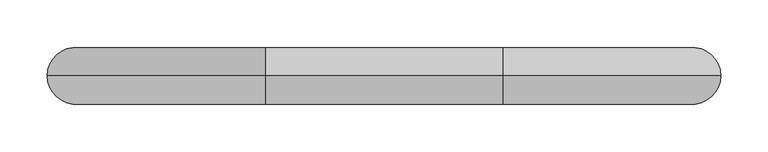
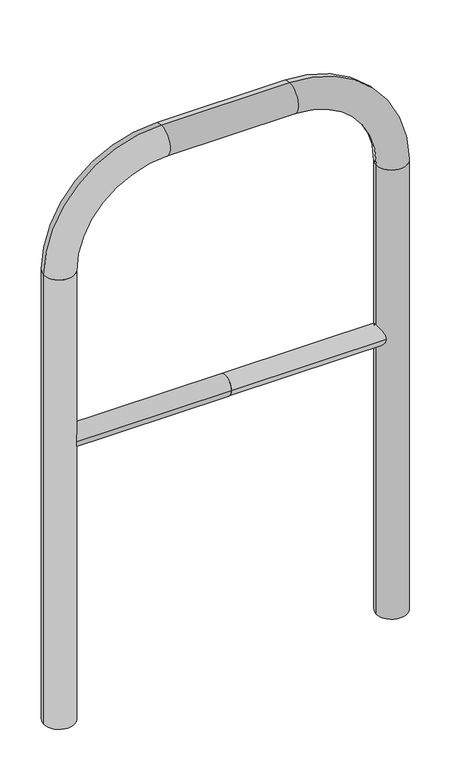
"""IFC4 building model written with IfcOpenShell, lengths in millimetres: proxy geometry."""

import ifcopenshell
import ifcopenshell.guid

model = None  # the IFC model being written
_history = None  # IfcOwnerHistory: only IFC2X3 demands one
_inside = {}  # id of a spatial element -> (the spatial element, [elements in it])
_under = {}  # id of a project, library or spatial element -> (it, [spatial elements below it])
_declared = {}  # id of a project -> (the project, [libraries it declares])
_typed = {}  # id of a type object -> (the type object, [elements of that type])
_made_of = {}  # id of a material, layer set ... -> (it, [elements and type objects made of it])


def new_model(schema):
    """Start an empty IFC model of exactly this schema.

    Asked for "IFC4X3", IfcOpenShell would pick the latest addendum, in which some entities
    have other attributes; the version numbers below select the first issue.
    IFC2X3 requires an IfcOwnerHistory on every rooted entity: one is made here for all.
    """
    global model, _history
    if schema == "IFC4X3":
        model = ifcopenshell.file(schema_version=(4, 3, 0, 0))
    else:
        model = ifcopenshell.file(schema=schema)
    _inside.clear()
    _under.clear()
    _declared.clear()
    _typed.clear()
    _made_of.clear()
    _history = None
    if model.schema == "IFC2X3":
        org = make("IfcOrganization", Name="unknown")
        user = make(
            "IfcPersonAndOrganization",
            ThePerson=make("IfcPerson", FamilyName="unknown"),
            TheOrganization=org,
        )
        app = make(
            "IfcApplication",
            ApplicationDeveloper=org,
            Version="unknown",
            ApplicationFullName="unknown",
            ApplicationIdentifier="unknown",
        )
        _history = make(
            "IfcOwnerHistory",
            OwningUser=user,
            OwningApplication=app,
            ChangeAction="ADDED",
            CreationDate=0,
        )
    return model


def make(cls, **values):
    """One entity of the class cls with the attributes given. An attribute that is None is left unset."""
    return model.create_entity(
        cls, **{name: value for name, value in values.items() if value is not None}
    )


def rooted(cls, **values):
    """An entity with a GlobalId (a new one), such as an element, a storey or a relation."""
    return make(cls, GlobalId=ifcopenshell.guid.new(), OwnerHistory=_history, **values)


def si_unit(unit_type, name, prefix=None):
    """IfcSIUnit, for example si_unit("LENGTHUNIT", "METRE", prefix="MILLI")."""
    return make("IfcSIUnit", UnitType=unit_type, Prefix=prefix, Name=name)


def assignment(units):
    """IfcUnitAssignment: the units of a project."""
    return None if units is None else make("IfcUnitAssignment", Units=units)


def point(xyz):
    """IfcCartesianPoint."""
    return None if xyz is None else make("IfcCartesianPoint", Coordinates=xyz)


def direction(xyz):
    """IfcDirection."""
    return None if xyz is None else make("IfcDirection", DirectionRatios=xyz)


def frame(location, z_axis=None, x_axis=None):
    """IfcAxis2Placement3D, a coordinate frame: its origin and axes. An axis left out is left unset."""
    return make(
        "IfcAxis2Placement3D",
        Location=point(location),
        Axis=direction(z_axis),
        RefDirection=direction(x_axis),
    )


def frame_2d(location, x_axis=None):
    """IfcAxis2Placement2D, a coordinate frame in the plane: its origin and x axis."""
    return make(
        "IfcAxis2Placement2D", Location=point(location), RefDirection=direction(x_axis)
    )


def origin():
    """The frame at (0, 0, 0) with its axes left unset."""
    return frame((0.0, 0.0, 0.0))


def place(relative_to, where):
    """IfcLocalPlacement: puts the frame where relative to a parent placement (None: the world)."""
    return make(
        "IfcLocalPlacement", PlacementRelTo=relative_to, RelativePlacement=where
    )


def context(
    kind, dimensions, precision=None, world=None, true_north=None, identifier=None
):
    """IfcGeometricRepresentationContext, for example the 3D "Model" context."""
    return make(
        "IfcGeometricRepresentationContext",
        ContextIdentifier=identifier,
        ContextType=kind,
        CoordinateSpaceDimension=dimensions,
        Precision=precision,
        WorldCoordinateSystem=world,
        TrueNorth=true_north,
    )


def project(units=None, contexts=None):
    """IfcProject with its units and contexts."""
    return rooted(
        "IfcProject",
        Name="project",
        RepresentationContexts=contexts,
        UnitsInContext=assignment(units),
    )


def spatial(cls, under=None, at=None, **own):
    """A site, building, storey or space (cls), placed at a placement, below another one or the project."""
    s = rooted(cls, ObjectPlacement=at, **own)
    if under is not None:
        _under.setdefault(under.id(), (under, []))[1].append(s)
    return s


def circle_curve(where, radius):
    """IfcCircle in the frame where."""
    return make("IfcCircle", Position=where, Radius=radius)


def ellipse_curve(where, semi_axis1, semi_axis2):
    """IfcEllipse in the frame where."""
    return make(
        "IfcEllipse", Position=where, SemiAxis1=semi_axis1, SemiAxis2=semi_axis2
    )


def trimmed(basis, trim1, trim2, sense, master):
    """IfcTrimmedCurve: the piece of a basis curve between two trims."""
    return make(
        "IfcTrimmedCurve",
        BasisCurve=basis,
        Trim1=trim1,
        Trim2=trim2,
        SenseAgreement=sense,
        MasterRepresentation=master,
    )


def segment(curve, same_sense, transition):
    """IfcCompositeCurveSegment."""
    return make(
        "IfcCompositeCurveSegment",
        Transition=transition,
        SameSense=same_sense,
        ParentCurve=curve,
    )


def composite_curve(segments, self_intersect=None):
    """IfcCompositeCurve: segments joined end to end."""
    return make("IfcCompositeCurve", Segments=segments, SelfIntersect=self_intersect)


def outline(outer, holes=None, kind="AREA"):
    """IfcArbitraryClosedProfileDef: a profile drawn as a closed curve; with holes, ...WithVoids."""
    if holes is None:
        return make("IfcArbitraryClosedProfileDef", ProfileType=kind, OuterCurve=outer)
    return make(
        "IfcArbitraryProfileDefWithVoids",
        ProfileType=kind,
        OuterCurve=outer,
        InnerCurves=holes,
    )


def extrude(swept, where, along, depth):
    """IfcExtrudedAreaSolid: the profile swept, set in the frame where, extruded along a direction by depth."""
    return make(
        "IfcExtrudedAreaSolid",
        SweptArea=swept,
        Position=where,
        ExtrudedDirection=direction(along),
        Depth=depth,
    )


def shape(context_of_items, identifier, shape_type, items):
    """IfcShapeRepresentation: the items that make up one representation, for example the "Body"."""
    return make(
        "IfcShapeRepresentation",
        ContextOfItems=context_of_items,
        RepresentationIdentifier=identifier,
        RepresentationType=shape_type,
        Items=items,
    )


def source(mapping_origin, context_of_items, identifier, shape_type, items):
    """IfcRepresentationMap: a shape defined once, which mapped items show again and again."""
    return make(
        "IfcRepresentationMap",
        MappingOrigin=mapping_origin,
        MappedRepresentation=shape(context_of_items, identifier, shape_type, items),
    )


def transform(
    local_origin,
    x_axis=None,
    y_axis=None,
    z_axis=None,
    scale=None,
    scale2=None,
    scale3=None,
    uniform=True,
):
    """IfcCartesianTransformationOperator3D, or its non-uniform kind. x_axis, y_axis, z_axis: its Axis1, 2, 3."""
    if uniform:
        return make(
            "IfcCartesianTransformationOperator3D",
            Axis1=direction(x_axis),
            Axis2=direction(y_axis),
            LocalOrigin=point(local_origin),
            Scale=scale,
            Axis3=direction(z_axis),
        )
    return make(
        "IfcCartesianTransformationOperator3DnonUniform",
        Axis1=direction(x_axis),
        Axis2=direction(y_axis),
        LocalOrigin=point(local_origin),
        Scale=scale,
        Axis3=direction(z_axis),
        Scale2=scale2,
        Scale3=scale3,
    )


def mapped(mapping_source, mapping_target):
    """IfcMappedItem: shows the shape of a source again, moved by a transform."""
    return make(
        "IfcMappedItem", MappingSource=mapping_source, MappingTarget=mapping_target
    )


def made_of(thing, what):
    """Note that an element or type object is made of a material, layer set ...; save() writes the relation."""
    if what is not None:
        _made_of.setdefault(what.id(), (what, []))[1].append(thing)
    return thing


def element(
    cls,
    number,
    at=None,
    inside=None,
    cuts=None,
    type_object=None,
    material=None,
    context=None,
    identifier="Body",
    shape_type=None,
    held_by="IfcProductDefinitionShape",
    body=None,
    shapes=None,
    **own,
):
    """One element of the class cls, such as IfcWall. Its Tag is "e" and its number.

    at: its placement. inside: the storey or other place that contains it. cuts: it is an
    opening in that element (IfcRelVoidsElement). A single representation is given by context,
    identifier, shape_type and body (its items); several are given by shapes. held_by: the class
    of the entity that holds the representations. save() writes the other relations.
    """
    e = rooted(cls, Tag="e%d" % number, ObjectPlacement=at, **own)
    if body is not None:
        shapes = [shape(context, identifier, shape_type, body)]
    if shapes is not None:
        e.Representation = make(held_by, Representations=shapes)
    if inside is not None:
        _inside.setdefault(inside.id(), (inside, []))[1].append(e)
    if cuts is not None:
        rooted(
            "IfcRelVoidsElement", RelatingBuildingElement=cuts, RelatedOpeningElement=e
        )
    if type_object is not None:
        _typed.setdefault(type_object.id(), (type_object, []))[1].append(e)
    return made_of(e, material)


def aggregate(whole, parts):
    """IfcRelAggregates: a whole, such as a stair, and the parts it consists of."""
    return rooted("IfcRelAggregates", RelatingObject=whole, RelatedObjects=parts)


def save(model, path):
    """Write the relations noted so far, then the file.

    IfcRelAggregates (storeys below a building ...), IfcRelContainedInSpatialStructure (elements
    in a storey), IfcRelDefinesByType, IfcRelAssociatesMaterial and IfcRelDeclares: one each for
    every whole, place, type object, material and project.
    """
    for whole, parts in _under.values():
        aggregate(whole, parts)
    for where, things in _inside.values():
        rooted(
            "IfcRelContainedInSpatialStructure",
            RelatedElements=things,
            RelatingStructure=where,
        )
    for kind, things in _typed.values():
        rooted("IfcRelDefinesByType", RelatedObjects=things, RelatingType=kind)
    for what, things in _made_of.values():
        rooted("IfcRelAssociatesMaterial", RelatedObjects=things, RelatingMaterial=what)
    for by, libraries in _declared.values():
        rooted("IfcRelDeclares", RelatingContext=by, RelatedDefinitions=libraries)
    model.write(path)


def plane_surface(at):
    """IfcPlane: the flat surface through the origin of the frame at, square to its z axis."""
    return make("IfcPlane", Position=at)


def cylinder_surface(at, radius):
    """IfcCylindricalSurface: all points at the distance radius from the z axis of the frame at."""
    return make("IfcCylindricalSurface", Position=at, Radius=radius)


def revolved_surface(curve, axis_point, axis_direction):
    """IfcSurfaceOfRevolution: the curve turned about the line through axis_point along axis_direction."""
    return make(
        "IfcSurfaceOfRevolution",
        SweptCurve=make("IfcArbitraryOpenProfileDef", ProfileType="CURVE", Curve=curve),
        AxisPosition=make("IfcAxis1Placement", Location=point(axis_point), Axis=direction(axis_direction)),
    )


def advanced_brep(points, edges, surfaces, faces):
    """IfcAdvancedBrep: a solid bounded by faces that lie on surfaces and meet in shared edges.

    An edge is (start, end): straight between two places in points (the first is 0);
    or (start, end, curve); or (start, end, curve, False) where it runs against its curve.
    A face is (place in surfaces, loops), or (place, loops, False) where it looks against
    its surface's normal. A loop lists edges by number (the first is 1), with a minus sign
    where the edge is run from its end to its start. The first loop is the outer one.
    """
    corners = [point(p) for p in points]
    vertices = [make("IfcVertexPoint", VertexGeometry=c) for c in corners]
    made = []
    for start, end, *more in edges:
        made.append(
            make(
                "IfcEdgeCurve",
                EdgeStart=vertices[start],
                EdgeEnd=vertices[end],
                EdgeGeometry=more[0] if more else make("IfcPolyline", Points=[corners[start], corners[end]]),
                SameSense=more[1] if len(more) > 1 else True,
            )
        )
    hull = []
    for where, loops, *sense in faces:
        bounds = []
        for j, loop in enumerate(loops):
            ring = [make("IfcOrientedEdge", EdgeElement=made[abs(k) - 1], Orientation=k > 0) for k in loop]
            bounds.append(
                make(
                    "IfcFaceOuterBound" if j == 0 else "IfcFaceBound",
                    Bound=make("IfcEdgeLoop", EdgeList=ring),
                    Orientation=True,
                )
            )
        hull.append(make("IfcAdvancedFace", Bounds=bounds, FaceSurface=surfaces[where], SameSense=sense[0] if sense else True))
    return make("IfcAdvancedBrep", Outer=make("IfcClosedShell", CfsFaces=hull))


def generic_models_3d9fecbe(model_context):
    return source(origin(), model_context, "Body", "SolidModel", [
        extrude(outline(composite_curve([segment(trimmed(circle_curve(frame_2d((0.0, 498.4778375)), 20.0), [point((-20.0, 498.4778375))], [point((20.0, 498.4778375))], False, "CARTESIAN"), True, "CONTINUOUS"), segment(trimmed(circle_curve(frame_2d((0.0, 498.4778375)), 20.0), [point((20.0, 498.4778375))], [point((-20.0, 498.4778375))], False, "CARTESIAN"), True, "CONTINUOUS")], self_intersect=False)), frame((-325.512174, 0.0, 0.0), z_axis=(1.0, 0.0, 0.0), x_axis=(0.0, 1.0, 0.0)), (0.0, 0.0, 1.0), 325.512174),
        extrude(outline(composite_curve([segment(trimmed(circle_curve(frame_2d((0.0, 498.4778375)), 20.0), [point((-20.0, 498.4778375))], [point((20.0, 498.4778375))], False, "CARTESIAN"), True, "CONTINUOUS"), segment(trimmed(circle_curve(frame_2d((0.0, 498.4778375)), 20.0), [point((20.0, 498.4778375))], [point((-20.0, 498.4778375))], False, "CARTESIAN"), True, "CONTINUOUS")], self_intersect=False)), frame((0.0, 0.0, 0.0), z_axis=(1.0, 0.0, 0.0), x_axis=(0.0, 1.0, 0.0)), (0.0, 0.0, 1.0), 325.512174),
        advanced_brep(
        [(-295.512174, 0.0, -80.0), (-355.512174, 0.0, -80.0), (-295.512174, 0.0, 850.0), (-355.512174, 0.0, 850.0), (-125.512174, 0.0, 1080.0), (-125.512174, 0.0, 1020.0), (125.512174, 0.0, 1020.0), (125.512174, 0.0, 1080.0), (355.512174, 0.0, 850.0), (295.512174, 0.0, 850.0), (295.512174, 0.0, -80.0), (355.512174, 0.0, -80.0)],
        [
            (0, 1, circle_curve(frame((-325.512174, 0.0, -80.0), z_axis=(0.0, 0.0, -1.0), x_axis=(-1.0, 0.0, 0.0)), 30.0)),
            (1, 0, circle_curve(frame((-325.512174, 0.0, -80.0), z_axis=(0.0, 0.0, -1.0), x_axis=(-1.0, 0.0, 0.0)), 30.0)),
            (0, 2),
            (2, 3, circle_curve(frame((-325.512174, 0.0, 850.0), z_axis=(0.0, 0.0, -1.0), x_axis=(-1.0, 0.0, 0.0)), 30.0)),
            (3, 1),
            (3, 2, circle_curve(frame((-325.512174, 0.0, 850.0), z_axis=(0.0, 0.0, -1.0), x_axis=(-1.0, 0.0, 0.0)), 30.0)),
            (4, 3, circle_curve(frame((-125.512174, 0.0, 850.0), z_axis=(0.0, -1.0, 0.0), x_axis=(-1.0, 0.0, 0.0)), 230.0)),
            (2, 5, circle_curve(frame((-125.512174, 0.0, 850.0), z_axis=(0.0, 1.0, 0.0), x_axis=(-1.0, 0.0, 0.0)), 170.0)),
            (5, 4, circle_curve(frame((-125.512174, 0.0, 1050.0), z_axis=(-1.0, 0.0, 0.0), x_axis=(0.0, 0.0, 1.0)), 30.0)),
            (4, 5, circle_curve(frame((-125.512174, 0.0, 1050.0), z_axis=(-1.0, 0.0, 0.0), x_axis=(0.0, 0.0, 1.0)), 30.0)),
            (5, 6),
            (6, 7, circle_curve(frame((125.512174, 0.0, 1050.0), z_axis=(-1.0, 0.0, 0.0), x_axis=(0.0, 0.0, 1.0)), 30.0)),
            (7, 4),
            (7, 6, circle_curve(frame((125.512174, 0.0, 1050.0), z_axis=(-1.0, 0.0, 0.0), x_axis=(0.0, 0.0, 1.0)), 30.0)),
            (8, 7, circle_curve(frame((125.512174, 0.0, 850.0), z_axis=(0.0, -1.0, 0.0), x_axis=(0.0, 0.0, 1.0)), 230.0)),
            (6, 9, circle_curve(frame((125.512174, 0.0, 850.0), z_axis=(0.0, 1.0, 0.0), x_axis=(0.0, 0.0, 1.0)), 170.0)),
            (9, 8, circle_curve(frame((325.512174, 0.0, 850.0), z_axis=(0.0, 0.0, 1.0), x_axis=(1.0, 0.0, 0.0)), 30.0)),
            (8, 9, circle_curve(frame((325.512174, 0.0, 850.0), z_axis=(0.0, 0.0, 1.0), x_axis=(1.0, 0.0, 0.0)), 30.0)),
            (10, 11, circle_curve(frame((325.512174, 0.0, -80.0), z_axis=(0.0, 0.0, -1.0), x_axis=(1.0, 0.0, 0.0)), 30.0)),
            (11, 10, circle_curve(frame((325.512174, 0.0, -80.0), z_axis=(0.0, 0.0, -1.0), x_axis=(1.0, 0.0, 0.0)), 30.0)),
            (9, 10),
            (11, 8),
        ],
        [
            plane_surface(frame((-325.512174, 0.0, -80.0), z_axis=(0.0, 0.0, -1.0), x_axis=(0.0, -1.0, 0.0))),
            cylinder_surface(frame((-325.512174, 0.0, -80.0), z_axis=(0.0, 0.0, -1.0), x_axis=(-1.0, 0.0, 0.0)), 30.0),
            revolved_surface(trimmed(ellipse_curve(frame((-325.512174, 0.0, 850.0), z_axis=(0.0, 0.0, -1.0), x_axis=(-1.0, 0.0, 0.0)), 30.0, 30.0), [point((-295.512174, 0.0, 850.0))], [point((-355.512174, 0.0, 850.0))], True, "CARTESIAN"), (-125.512174, 0.0, 850.0), (0.0, 1.0, 0.0)),
            revolved_surface(trimmed(ellipse_curve(frame((-325.512174, 0.0, 850.0), z_axis=(0.0, 0.0, -1.0), x_axis=(-1.0, 0.0, 0.0)), 30.0, 30.0), [point((-355.512174, 0.0, 850.0))], [point((-295.512174, 0.0, 850.0))], True, "CARTESIAN"), (-125.512174, 0.0, 850.0), (0.0, 1.0, 0.0)),
            cylinder_surface(frame((-125.512174, 0.0, 1050.0), z_axis=(-1.0, 0.0, 0.0), x_axis=(0.0, 0.0, 1.0)), 30.0),
            revolved_surface(trimmed(ellipse_curve(frame((125.512174, 0.0, 1050.0), z_axis=(-1.0, 0.0, 0.0), x_axis=(0.0, 0.0, 1.0)), 30.0, 30.0), [point((125.512174, 0.0, 1020.0))], [point((125.512174, 0.0, 1080.0))], True, "CARTESIAN"), (125.512174, 0.0, 850.0), (0.0, 1.0, 0.0)),
            revolved_surface(trimmed(ellipse_curve(frame((125.512174, 0.0, 1050.0), z_axis=(-1.0, 0.0, 0.0), x_axis=(0.0, 0.0, 1.0)), 30.0, 30.0), [point((125.512174, 0.0, 1080.0))], [point((125.512174, 0.0, 1020.0))], True, "CARTESIAN"), (125.512174, 0.0, 850.0), (0.0, 1.0, 0.0)),
            plane_surface(frame((325.512174, 0.0, -80.0), z_axis=(0.0, 0.0, -1.0), x_axis=(0.0, -1.0, 0.0))),
            cylinder_surface(frame((325.512174, 0.0, 850.0), z_axis=(0.0, 0.0, 1.0), x_axis=(1.0, 0.0, 0.0)), 30.0),
        ],
        [
            (0, [[1, 2]]),
            (1, [[-1, 3, 4, 5]]),
            (1, [[-2, -5, 6, -3]]),
            (2, [[7, -4, 8, 9]]),
            (3, [[-8, -6, -7, 10]]),
            (4, [[-9, 11, 12, 13]]),
            (4, [[-10, -13, 14, -11]]),
            (5, [[15, -12, 16, 17]]),
            (6, [[-16, -14, -15, 18]]),
            (7, [[19, 20]]),
            (8, [[-17, 21, -20, 22]]),
            (8, [[-18, -22, -19, -21]]),
        ],
    ),
    ])


if __name__ == "__main__":
    model = new_model("IFC4")
    model_context = context("Model", 3, world=origin())
    ifc_project = project(units=[si_unit("LENGTHUNIT", "METRE", prefix="MILLI")], contexts=[model_context])
    site = spatial("IfcSite", under=ifc_project)
    building = spatial("IfcBuilding", under=site)
    placement = place(None, origin())
    generic_models_shape = generic_models_3d9fecbe(model_context)
    element("IfcBuildingElementProxy", 1, Name="Generic Models", at=placement, inside=building, context=model_context, shape_type="MappedRepresentation", body=[
        mapped(generic_models_shape, transform((0.0, 0.0, 0.0), x_axis=(1.0, 0.0, 0.0), y_axis=(0.0, 1.0, 0.0), z_axis=(0.0, 0.0, 1.0))),
    ])
    save(model, "model.ifc")
